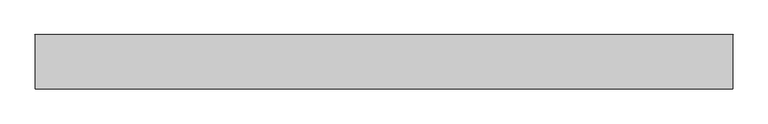
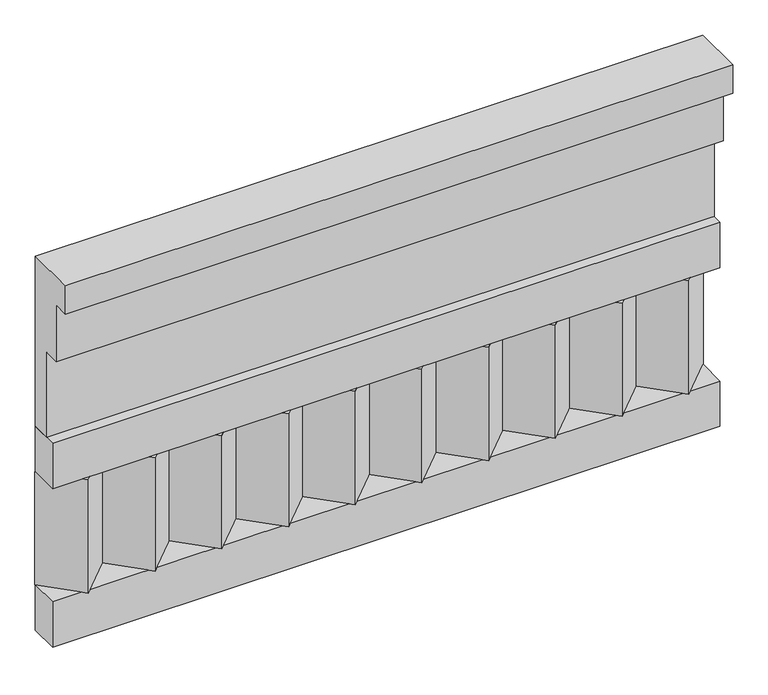
"""IFC4 building model written with IfcOpenShell, lengths in millimetres: railing geometry."""

from ifc_helpers import new_model, si_unit, frame, origin, place, context, project, spatial, polyline, outline, extrude, source, transform, mapped, element, save


def railing_ca062654(model_context):
    return source(origin(), model_context, "Body", "SweptSolid", [
        extrude(outline(polyline([(-16816.8920513, 21800.0), (-16816.8920513, 21350.0), (-16866.8920513, 21350.0), (-16866.8920513, 21575.0), (-16906.8920513, 21575.0), (-16906.8920513, 21725.0), (-16946.8920513, 21725.0), (-16946.8920513, 21800.0), (-16816.8920513, 21800.0)])), frame((-40039.9887159, 0.0, 0.0), z_axis=(1.0, 0.0, 0.0), x_axis=(0.0, 1.0, 0.0)), (0.0, 0.0, 1.0), 1670.0),
        extrude(outline(polyline([(-40039.9887159, -16891.8920513), (-40039.9887159, -16816.8920513), (-38369.9887159, -16816.8920513), (-38369.9887159, -16891.8920513), (-40039.9887159, -16891.8920513)])), frame((0.0, 0.0, 21230.0), z_axis=(0.0, 0.0, 1.0), x_axis=(1.0, 0.0, 0.0)), (0.0, 0.0, 1.0), 120.0),
        extrude(outline(polyline([(-40039.9887159, -16891.8920513), (-40039.9887159, -16816.8920513), (-38369.9887159, -16816.8920513), (-38369.9887159, -16891.8920513), (-40039.9887159, -16891.8920513)])), frame((0.0, 0.0, 20810.0), z_axis=(0.0, 0.0, 1.0), x_axis=(1.0, 0.0, 0.0)), (0.0, 0.0, 1.0), 120.0),
        extrude(outline(polyline([(-38453.4887159, -16901.7448651), (-38538.3415296, -16816.8920513), (-38368.6359022, -16816.8920513), (-38453.4887159, -16901.7448651)])), frame((0.0, 0.0, 20930.0), z_axis=(0.0, 0.0, 1.0), x_axis=(1.0, 0.0, 0.0)), (0.0, 0.0, 1.0), 300.0),
        extrude(outline(polyline([(-38620.4887159, -16901.7448651), (-38705.3415296, -16816.8920513), (-38535.6359022, -16816.8920513), (-38620.4887159, -16901.7448651)])), frame((0.0, 0.0, 20930.0), z_axis=(0.0, 0.0, 1.0), x_axis=(1.0, 0.0, 0.0)), (0.0, 0.0, 1.0), 300.0),
        extrude(outline(polyline([(-38787.4887159, -16901.7448651), (-38872.3415296, -16816.8920513), (-38702.6359022, -16816.8920513), (-38787.4887159, -16901.7448651)])), frame((0.0, 0.0, 20930.0), z_axis=(0.0, 0.0, 1.0), x_axis=(1.0, 0.0, 0.0)), (0.0, 0.0, 1.0), 300.0),
        extrude(outline(polyline([(-38954.4887159, -16901.7448651), (-39039.3415296, -16816.8920513), (-38869.6359022, -16816.8920513), (-38954.4887159, -16901.7448651)])), frame((0.0, 0.0, 20930.0), z_axis=(0.0, 0.0, 1.0), x_axis=(1.0, 0.0, 0.0)), (0.0, 0.0, 1.0), 300.0),
        extrude(outline(polyline([(-39121.4887159, -16901.7448651), (-39206.3415296, -16816.8920513), (-39036.6359022, -16816.8920513), (-39121.4887159, -16901.7448651)])), frame((0.0, 0.0, 20930.0), z_axis=(0.0, 0.0, 1.0), x_axis=(1.0, 0.0, 0.0)), (0.0, 0.0, 1.0), 300.0),
        extrude(outline(polyline([(-39288.4887159, -16901.7448651), (-39373.3415296, -16816.8920513), (-39203.6359022, -16816.8920513), (-39288.4887159, -16901.7448651)])), frame((0.0, 0.0, 20930.0), z_axis=(0.0, 0.0, 1.0), x_axis=(1.0, 0.0, 0.0)), (0.0, 0.0, 1.0), 300.0),
        extrude(outline(polyline([(-39455.4887159, -16901.7448651), (-39540.3415296, -16816.8920513), (-39370.6359022, -16816.8920513), (-39455.4887159, -16901.7448651)])), frame((0.0, 0.0, 20930.0), z_axis=(0.0, 0.0, 1.0), x_axis=(1.0, 0.0, 0.0)), (0.0, 0.0, 1.0), 300.0),
        extrude(outline(polyline([(-39622.4887159, -16901.7448651), (-39707.3415296, -16816.8920513), (-39537.6359022, -16816.8920513), (-39622.4887159, -16901.7448651)])), frame((0.0, 0.0, 20930.0), z_axis=(0.0, 0.0, 1.0), x_axis=(1.0, 0.0, 0.0)), (0.0, 0.0, 1.0), 300.0),
        extrude(outline(polyline([(-39789.4887159, -16901.7448651), (-39874.3415296, -16816.8920513), (-39704.6359022, -16816.8920513), (-39789.4887159, -16901.7448651)])), frame((0.0, 0.0, 20930.0), z_axis=(0.0, 0.0, 1.0), x_axis=(1.0, 0.0, 0.0)), (0.0, 0.0, 1.0), 300.0),
        extrude(outline(polyline([(-39956.4887159, -16901.7448651), (-40041.3415296, -16816.8920513), (-39871.6359022, -16816.8920513), (-39956.4887159, -16901.7448651)])), frame((0.0, 0.0, 20930.0), z_axis=(0.0, 0.0, 1.0), x_axis=(1.0, 0.0, 0.0)), (0.0, 0.0, 1.0), 300.0),
    ])


if __name__ == "__main__":
    model = new_model("IFC4")
    model_context = context("Model", 3, world=origin())
    ifc_project = project(units=[si_unit("LENGTHUNIT", "METRE", prefix="MILLI")], contexts=[model_context])
    site = spatial("IfcSite", under=ifc_project)
    building = spatial("IfcBuilding", under=site)
    placement = place(None, origin())
    railing_shape = railing_ca062654(model_context)
    element("IfcRailing", 1, at=placement, inside=building, context=model_context, shape_type="MappedRepresentation", body=[
        mapped(railing_shape, transform((0.0, 0.0, 0.0), x_axis=(1.0, 0.0, 0.0), y_axis=(0.0, 1.0, 0.0), z_axis=(0.0, 0.0, 1.0))),
    ])
    save(model, "model.ifc")
